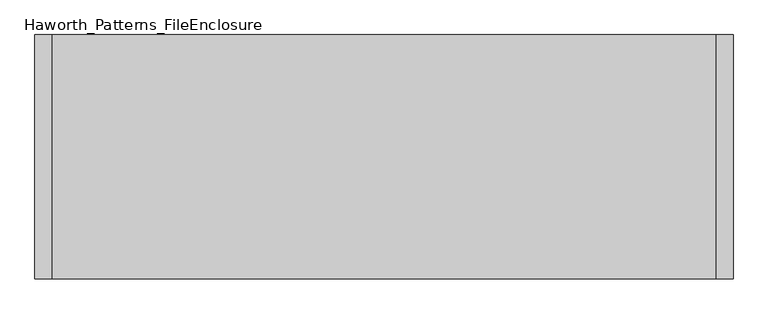
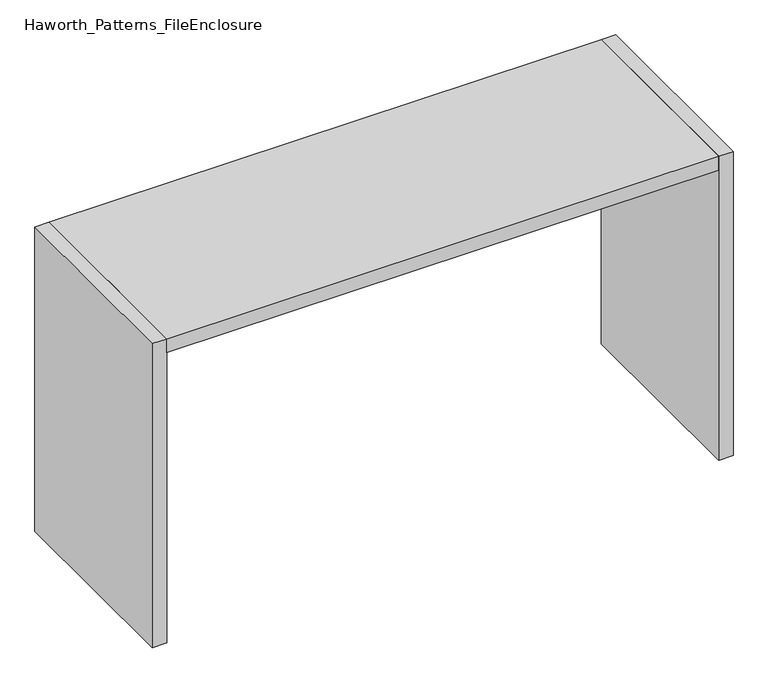
"""IFC4 building model written with IfcOpenShell, lengths in millimetres: furniture geometry, Haworth_Patterns_FileEnclosure."""

from ifc_helpers import new_model, si_unit, frame, origin, origin_with_axes, place, context, project, spatial, polyline, outline, extrude, source, transform, mapped, element, save


def haworth_patterns_fileenclosure_944ecc28(model_context):
    return source(origin(), model_context, "Body", "SweptSolid", [
        extrude(outline(polyline([(1447.8, 0.0), (1447.8, -1066.8), (-1447.8, -1066.8), (-1447.8, 0.0), (1447.8, 0.0)])), frame((0.0, 0.0, 1612.9), z_axis=(0.0, 0.0, 1.0), x_axis=(1.0, 0.0, 0.0)), (0.0, 0.0, 1.0), 76.2),
        extrude(outline(polyline([(1447.8, 0.0), (1524.0, 0.0), (1524.0, -1066.8), (1447.8, -1066.8), (1447.8, 0.0)])), origin_with_axes(), (0.0, 0.0, 1.0), 1689.1),
        extrude(outline(polyline([(-1447.8, 0.0), (-1447.8, -1066.8), (-1524.0, -1066.8), (-1524.0, 0.0), (-1447.8, 0.0)])), origin_with_axes(), (0.0, 0.0, 1.0), 1689.1),
    ])


if __name__ == "__main__":
    model = new_model("IFC4")
    model_context = context("Model", 3, world=origin())
    ifc_project = project(units=[si_unit("LENGTHUNIT", "METRE", prefix="MILLI")], contexts=[model_context])
    site = spatial("IfcSite", under=ifc_project)
    building = spatial("IfcBuilding", under=site)
    placement = place(None, origin())
    haworth_patterns_fileenclosure_shape = haworth_patterns_fileenclosure_944ecc28(model_context)
    element("IfcFurniture", 1, ObjectType="Haworth_Patterns_FileEnclosure", at=placement, inside=building, context=model_context, shape_type="MappedRepresentation", body=[
        mapped(haworth_patterns_fileenclosure_shape, transform((0.0, 0.0, 0.0), x_axis=(1.0, 0.0, 0.0), y_axis=(0.0, 1.0, 0.0), z_axis=(0.0, 0.0, 1.0))),
    ])
    save(model, "model.ifc")
